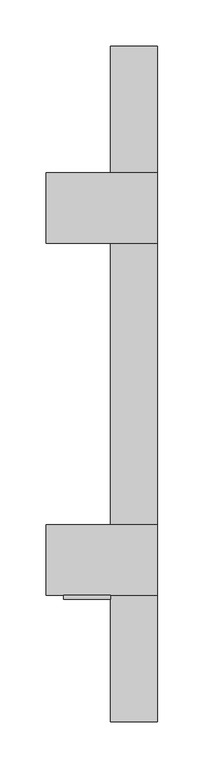
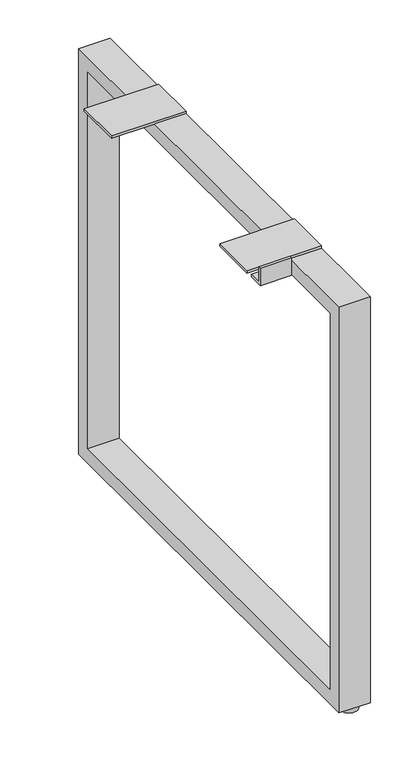
"""IFC4 building model written with IfcOpenShell, lengths in millimetres: furniture geometry."""

import ifcopenshell
import ifcopenshell.guid

model = None  # the IFC model being written
_history = None  # IfcOwnerHistory: only IFC2X3 demands one
_inside = {}  # id of a spatial element -> (the spatial element, [elements in it])
_under = {}  # id of a project, library or spatial element -> (it, [spatial elements below it])
_declared = {}  # id of a project -> (the project, [libraries it declares])
_typed = {}  # id of a type object -> (the type object, [elements of that type])
_made_of = {}  # id of a material, layer set ... -> (it, [elements and type objects made of it])


def new_model(schema):
    """Start an empty IFC model of exactly this schema.

    Asked for "IFC4X3", IfcOpenShell would pick the latest addendum, in which some entities
    have other attributes; the version numbers below select the first issue.
    IFC2X3 requires an IfcOwnerHistory on every rooted entity: one is made here for all.
    """
    global model, _history
    if schema == "IFC4X3":
        model = ifcopenshell.file(schema_version=(4, 3, 0, 0))
    else:
        model = ifcopenshell.file(schema=schema)
    _inside.clear()
    _under.clear()
    _declared.clear()
    _typed.clear()
    _made_of.clear()
    _history = None
    if model.schema == "IFC2X3":
        org = make("IfcOrganization", Name="unknown")
        user = make(
            "IfcPersonAndOrganization",
            ThePerson=make("IfcPerson", FamilyName="unknown"),
            TheOrganization=org,
        )
        app = make(
            "IfcApplication",
            ApplicationDeveloper=org,
            Version="unknown",
            ApplicationFullName="unknown",
            ApplicationIdentifier="unknown",
        )
        _history = make(
            "IfcOwnerHistory",
            OwningUser=user,
            OwningApplication=app,
            ChangeAction="ADDED",
            CreationDate=0,
        )
    return model


def make(cls, **values):
    """One entity of the class cls with the attributes given. An attribute that is None is left unset."""
    return model.create_entity(
        cls, **{name: value for name, value in values.items() if value is not None}
    )


def rooted(cls, **values):
    """An entity with a GlobalId (a new one), such as an element, a storey or a relation."""
    return make(cls, GlobalId=ifcopenshell.guid.new(), OwnerHistory=_history, **values)


def si_unit(unit_type, name, prefix=None):
    """IfcSIUnit, for example si_unit("LENGTHUNIT", "METRE", prefix="MILLI")."""
    return make("IfcSIUnit", UnitType=unit_type, Prefix=prefix, Name=name)


def assignment(units):
    """IfcUnitAssignment: the units of a project."""
    return None if units is None else make("IfcUnitAssignment", Units=units)


def point(xyz):
    """IfcCartesianPoint."""
    return None if xyz is None else make("IfcCartesianPoint", Coordinates=xyz)


def direction(xyz):
    """IfcDirection."""
    return None if xyz is None else make("IfcDirection", DirectionRatios=xyz)


def frame(location, z_axis=None, x_axis=None):
    """IfcAxis2Placement3D, a coordinate frame: its origin and axes. An axis left out is left unset."""
    return make(
        "IfcAxis2Placement3D",
        Location=point(location),
        Axis=direction(z_axis),
        RefDirection=direction(x_axis),
    )


def origin():
    """The frame at (0, 0, 0) with its axes left unset."""
    return frame((0.0, 0.0, 0.0))


def place(relative_to, where):
    """IfcLocalPlacement: puts the frame where relative to a parent placement (None: the world)."""
    return make(
        "IfcLocalPlacement", PlacementRelTo=relative_to, RelativePlacement=where
    )


def context(
    kind, dimensions, precision=None, world=None, true_north=None, identifier=None
):
    """IfcGeometricRepresentationContext, for example the 3D "Model" context."""
    return make(
        "IfcGeometricRepresentationContext",
        ContextIdentifier=identifier,
        ContextType=kind,
        CoordinateSpaceDimension=dimensions,
        Precision=precision,
        WorldCoordinateSystem=world,
        TrueNorth=true_north,
    )


def project(units=None, contexts=None):
    """IfcProject with its units and contexts."""
    return rooted(
        "IfcProject",
        Name="project",
        RepresentationContexts=contexts,
        UnitsInContext=assignment(units),
    )


def spatial(cls, under=None, at=None, **own):
    """A site, building, storey or space (cls), placed at a placement, below another one or the project."""
    s = rooted(cls, ObjectPlacement=at, **own)
    if under is not None:
        _under.setdefault(under.id(), (under, []))[1].append(s)
    return s


def polyline(points):
    """IfcPolyline through the points."""
    return make("IfcPolyline", Points=[point(p) for p in points])


def circle_curve(where, radius):
    """IfcCircle in the frame where."""
    return make("IfcCircle", Position=where, Radius=radius)


def outline(outer, holes=None, kind="AREA"):
    """IfcArbitraryClosedProfileDef: a profile drawn as a closed curve; with holes, ...WithVoids."""
    if holes is None:
        return make("IfcArbitraryClosedProfileDef", ProfileType=kind, OuterCurve=outer)
    return make(
        "IfcArbitraryProfileDefWithVoids",
        ProfileType=kind,
        OuterCurve=outer,
        InnerCurves=holes,
    )


def extrude(swept, where, along, depth):
    """IfcExtrudedAreaSolid: the profile swept, set in the frame where, extruded along a direction by depth."""
    return make(
        "IfcExtrudedAreaSolid",
        SweptArea=swept,
        Position=where,
        ExtrudedDirection=direction(along),
        Depth=depth,
    )


def shape(context_of_items, identifier, shape_type, items):
    """IfcShapeRepresentation: the items that make up one representation, for example the "Body"."""
    return make(
        "IfcShapeRepresentation",
        ContextOfItems=context_of_items,
        RepresentationIdentifier=identifier,
        RepresentationType=shape_type,
        Items=items,
    )


def source(mapping_origin, context_of_items, identifier, shape_type, items):
    """IfcRepresentationMap: a shape defined once, which mapped items show again and again."""
    return make(
        "IfcRepresentationMap",
        MappingOrigin=mapping_origin,
        MappedRepresentation=shape(context_of_items, identifier, shape_type, items),
    )


def transform(
    local_origin,
    x_axis=None,
    y_axis=None,
    z_axis=None,
    scale=None,
    scale2=None,
    scale3=None,
    uniform=True,
):
    """IfcCartesianTransformationOperator3D, or its non-uniform kind. x_axis, y_axis, z_axis: its Axis1, 2, 3."""
    if uniform:
        return make(
            "IfcCartesianTransformationOperator3D",
            Axis1=direction(x_axis),
            Axis2=direction(y_axis),
            LocalOrigin=point(local_origin),
            Scale=scale,
            Axis3=direction(z_axis),
        )
    return make(
        "IfcCartesianTransformationOperator3DnonUniform",
        Axis1=direction(x_axis),
        Axis2=direction(y_axis),
        LocalOrigin=point(local_origin),
        Scale=scale,
        Axis3=direction(z_axis),
        Scale2=scale2,
        Scale3=scale3,
    )


def mapped(mapping_source, mapping_target):
    """IfcMappedItem: shows the shape of a source again, moved by a transform."""
    return make(
        "IfcMappedItem", MappingSource=mapping_source, MappingTarget=mapping_target
    )


def made_of(thing, what):
    """Note that an element or type object is made of a material, layer set ...; save() writes the relation."""
    if what is not None:
        _made_of.setdefault(what.id(), (what, []))[1].append(thing)
    return thing


def element(
    cls,
    number,
    at=None,
    inside=None,
    cuts=None,
    type_object=None,
    material=None,
    context=None,
    identifier="Body",
    shape_type=None,
    held_by="IfcProductDefinitionShape",
    body=None,
    shapes=None,
    **own,
):
    """One element of the class cls, such as IfcWall. Its Tag is "e" and its number.

    at: its placement. inside: the storey or other place that contains it. cuts: it is an
    opening in that element (IfcRelVoidsElement). A single representation is given by context,
    identifier, shape_type and body (its items); several are given by shapes. held_by: the class
    of the entity that holds the representations. save() writes the other relations.
    """
    e = rooted(cls, Tag="e%d" % number, ObjectPlacement=at, **own)
    if body is not None:
        shapes = [shape(context, identifier, shape_type, body)]
    if shapes is not None:
        e.Representation = make(held_by, Representations=shapes)
    if inside is not None:
        _inside.setdefault(inside.id(), (inside, []))[1].append(e)
    if cuts is not None:
        rooted(
            "IfcRelVoidsElement", RelatingBuildingElement=cuts, RelatedOpeningElement=e
        )
    if type_object is not None:
        _typed.setdefault(type_object.id(), (type_object, []))[1].append(e)
    return made_of(e, material)


def aggregate(whole, parts):
    """IfcRelAggregates: a whole, such as a stair, and the parts it consists of."""
    return rooted("IfcRelAggregates", RelatingObject=whole, RelatedObjects=parts)


def save(model, path):
    """Write the relations noted so far, then the file.

    IfcRelAggregates (storeys below a building ...), IfcRelContainedInSpatialStructure (elements
    in a storey), IfcRelDefinesByType, IfcRelAssociatesMaterial and IfcRelDeclares: one each for
    every whole, place, type object, material and project.
    """
    for whole, parts in _under.values():
        aggregate(whole, parts)
    for where, things in _inside.values():
        rooted(
            "IfcRelContainedInSpatialStructure",
            RelatedElements=things,
            RelatingStructure=where,
        )
    for kind, things in _typed.values():
        rooted("IfcRelDefinesByType", RelatedObjects=things, RelatingType=kind)
    for what, things in _made_of.values():
        rooted("IfcRelAssociatesMaterial", RelatedObjects=things, RelatingMaterial=what)
    for by, libraries in _declared.values():
        rooted("IfcRelDeclares", RelatingContext=by, RelatedDefinitions=libraries)
    model.write(path)


def plane_surface(at):
    """IfcPlane: the flat surface through the origin of the frame at, square to its z axis."""
    return make("IfcPlane", Position=at)


def cylinder_surface(at, radius):
    """IfcCylindricalSurface: all points at the distance radius from the z axis of the frame at."""
    return make("IfcCylindricalSurface", Position=at, Radius=radius)


def advanced_brep(points, edges, surfaces, faces):
    """IfcAdvancedBrep: a solid bounded by faces that lie on surfaces and meet in shared edges.

    An edge is (start, end): straight between two places in points (the first is 0);
    or (start, end, curve); or (start, end, curve, False) where it runs against its curve.
    A face is (place in surfaces, loops), or (place, loops, False) where it looks against
    its surface's normal. A loop lists edges by number (the first is 1), with a minus sign
    where the edge is run from its end to its start. The first loop is the outer one.
    """
    corners = [point(p) for p in points]
    vertices = [make("IfcVertexPoint", VertexGeometry=c) for c in corners]
    made = []
    for start, end, *more in edges:
        made.append(
            make(
                "IfcEdgeCurve",
                EdgeStart=vertices[start],
                EdgeEnd=vertices[end],
                EdgeGeometry=more[0] if more else make("IfcPolyline", Points=[corners[start], corners[end]]),
                SameSense=more[1] if len(more) > 1 else True,
            )
        )
    hull = []
    for where, loops, *sense in faces:
        bounds = []
        for j, loop in enumerate(loops):
            ring = [make("IfcOrientedEdge", EdgeElement=made[abs(k) - 1], Orientation=k > 0) for k in loop]
            bounds.append(
                make(
                    "IfcFaceOuterBound" if j == 0 else "IfcFaceBound",
                    Bound=make("IfcEdgeLoop", EdgeList=ring),
                    Orientation=True,
                )
            )
        hull.append(make("IfcAdvancedFace", Bounds=bounds, FaceSurface=surfaces[where], SameSense=sense[0] if sense else True))
    return make("IfcAdvancedBrep", Outer=make("IfcClosedShell", CfsFaces=hull))


def furniture_5a974e95(model_context):
    return source(origin(), model_context, "Body", "SolidModel", [
        extrude(outline(polyline([(260.9400201, 702.6656222), (260.9400201, 8.6614), (-468.5479799, 8.6614), (-468.5479799, 702.6656222), (260.9400201, 702.6656222)]), holes=[polyline([(235.5400201, 677.2656222), (-443.1479799, 677.2656222), (-443.1479799, 34.0614), (235.5400201, 34.0614), (235.5400201, 677.2656222)])]), frame((-761.998801, 0.0, 0.0), z_axis=(1.0, 0.0, 0.0), x_axis=(0.0, 1.0, 0.0)), (0.0, 0.0, 1.0), 50.7994011),
        extrude(outline(polyline([(-336.3409799, 677.2910222), (-336.3409799, 707.0090222), (-332.0229799, 707.0090222), (-332.0229799, 681.6344222), (-310.9409799, 681.6344222), (-310.9409799, 677.2910222), (-336.3409799, 677.2910222)])), frame((-812.798801, 0.0, 0.0), z_axis=(1.0, 0.0, 0.0), x_axis=(0.0, 1.0, 0.0)), (0.0, 0.0, 1.0), 50.8),
        advanced_brep(
        [(-722.3116005, 245.0650201, 0.0), (-750.8866005, 245.0650201, 0.0), (-736.5991005, 245.0650201, 0.0), (-722.3116005, 245.0650201, 7.874), (-750.8866005, 245.0650201, 7.874), (-731.8366005, 245.0650201, 7.874), (-741.3616005, 245.0650201, 7.874), (-731.8366005, 245.0650201, 8.6614), (-741.3616005, 245.0650201, 8.6614), (-736.5991005, 245.0650201, 8.6614)],
        [
            (0, 1, circle_curve(frame((-736.5991005, 245.0650201, 0.0), z_axis=(0.0, 0.0, -1.0), x_axis=(-1.0, 0.0, 0.0)), 14.2875)),
            (1, 2),
            (2, 0),
            (1, 0, circle_curve(frame((-736.5991005, 245.0650201, 0.0), z_axis=(0.0, 0.0, -1.0), x_axis=(-1.0, 0.0, 0.0)), 14.2875)),
            (3, 4, circle_curve(frame((-736.5991005, 245.0650201, 7.874), z_axis=(0.0, 0.0, -1.0), x_axis=(-1.0, 0.0, 0.0)), 14.2875)),
            (4, 1),
            (0, 3),
            (4, 3, circle_curve(frame((-736.5991005, 245.0650201, 7.874), z_axis=(0.0, 0.0, -1.0), x_axis=(-1.0, 0.0, 0.0)), 14.2875)),
            (5, 6, circle_curve(frame((-736.5991005, 245.0650201, 7.874), z_axis=(0.0, 0.0, -1.0), x_axis=(-1.0, 0.0, 0.0)), 4.7625)),
            (6, 4),
            (3, 5),
            (6, 5, circle_curve(frame((-736.5991005, 245.0650201, 7.874), z_axis=(0.0, 0.0, -1.0), x_axis=(-1.0, 0.0, 0.0)), 4.7625)),
            (7, 8, circle_curve(frame((-736.5991005, 245.0650201, 8.6614), z_axis=(0.0, 0.0, -1.0), x_axis=(-1.0, 0.0, 0.0)), 4.7625)),
            (8, 6),
            (5, 7),
            (8, 7, circle_curve(frame((-736.5991005, 245.0650201, 8.6614), z_axis=(0.0, 0.0, -1.0), x_axis=(-1.0, 0.0, 0.0)), 4.7625)),
            (9, 8),
            (7, 9),
        ],
        [
            plane_surface(frame((-736.5991005, 245.0650201, 0.0), z_axis=(0.0, 0.0, -1.0), x_axis=(-1.0, 0.0, 0.0))),
            cylinder_surface(frame((-736.5991005, 245.0650201, -2.6032322), z_axis=(0.0, 0.0, 1.0), x_axis=(-1.0, 0.0, 0.0)), 14.2875),
            plane_surface(frame((-736.5991005, 245.0650201, 7.874), z_axis=(0.0, 0.0, 1.0), x_axis=(-1.0, 0.0, 0.0))),
            cylinder_surface(frame((-736.5991005, 245.0650201, -2.6032322), z_axis=(0.0, 0.0, 1.0), x_axis=(-1.0, 0.0, 0.0)), 4.7625),
            plane_surface(frame((-736.5991005, 245.0650201, 8.6614), z_axis=(0.0, 0.0, 1.0), x_axis=(-1.0, 0.0, 0.0))),
        ],
        [
            (0, [[1, 2, 3]]),
            (0, [[4, -3, -2]]),
            (1, [[5, 6, -1, 7]]),
            (1, [[8, -7, -4, -6]]),
            (2, [[9, 10, -5, 11]]),
            (2, [[12, -11, -8, -10]]),
            (3, [[13, 14, -9, 15]]),
            (3, [[16, -15, -12, -14]]),
            (4, [[17, -13, 18]]),
            (4, [[-18, -16, -17]]),
        ],
    ),
        extrude(outline(polyline([(-711.198801, -255.8229799), (-711.198801, -332.0229799), (-831.848801, -332.0229799), (-831.848801, -255.8229799), (-711.198801, -255.8229799)])), frame((0.0, 0.0, 702.6656222), z_axis=(0.0, 0.0, 1.0), x_axis=(1.0, 0.0, 0.0)), (0.0, 0.0, 1.0), 4.3434),
        extrude(outline(polyline([(-711.198801, 124.4150201), (-711.198801, 48.2150201), (-831.848801, 48.2150201), (-831.848801, 124.4150201), (-711.198801, 124.4150201)])), frame((0.0, 0.0, 702.6656222), z_axis=(0.0, 0.0, 1.0), x_axis=(1.0, 0.0, 0.0)), (0.0, 0.0, 1.0), 4.3434),
        advanced_brep(
        [(-722.3116005, -452.6729799, 0.0), (-750.8866005, -452.6729799, 0.0), (-736.5991005, -452.6729799, 0.0), (-722.3116005, -452.6729799, 7.874), (-750.8866005, -452.6729799, 7.874), (-731.8366005, -452.6729799, 7.874), (-741.3616005, -452.6729799, 7.874), (-731.8366005, -452.6729799, 8.6614), (-741.3616005, -452.6729799, 8.6614), (-736.5991005, -452.6729799, 8.6614)],
        [
            (0, 1, circle_curve(frame((-736.5991005, -452.6729799, 0.0), z_axis=(0.0, 0.0, -1.0), x_axis=(-1.0, 0.0, 0.0)), 14.2875)),
            (1, 2),
            (2, 0),
            (1, 0, circle_curve(frame((-736.5991005, -452.6729799, 0.0), z_axis=(0.0, 0.0, -1.0), x_axis=(-1.0, 0.0, 0.0)), 14.2875)),
            (3, 4, circle_curve(frame((-736.5991005, -452.6729799, 7.874), z_axis=(0.0, 0.0, -1.0), x_axis=(-1.0, 0.0, 0.0)), 14.2875)),
            (4, 1),
            (0, 3),
            (4, 3, circle_curve(frame((-736.5991005, -452.6729799, 7.874), z_axis=(0.0, 0.0, -1.0), x_axis=(-1.0, 0.0, 0.0)), 14.2875)),
            (5, 6, circle_curve(frame((-736.5991005, -452.6729799, 7.874), z_axis=(0.0, 0.0, -1.0), x_axis=(-1.0, 0.0, 0.0)), 4.7625)),
            (6, 4),
            (3, 5),
            (6, 5, circle_curve(frame((-736.5991005, -452.6729799, 7.874), z_axis=(0.0, 0.0, -1.0), x_axis=(-1.0, 0.0, 0.0)), 4.7625)),
            (7, 8, circle_curve(frame((-736.5991005, -452.6729799, 8.6614), z_axis=(0.0, 0.0, -1.0), x_axis=(-1.0, 0.0, 0.0)), 4.7625)),
            (8, 6),
            (5, 7),
            (8, 7, circle_curve(frame((-736.5991005, -452.6729799, 8.6614), z_axis=(0.0, 0.0, -1.0), x_axis=(-1.0, 0.0, 0.0)), 4.7625)),
            (9, 8),
            (7, 9),
        ],
        [
            plane_surface(frame((-736.5991005, -452.6729799, 0.0), z_axis=(0.0, 0.0, -1.0), x_axis=(-1.0, 0.0, 0.0))),
            cylinder_surface(frame((-736.5991005, -452.6729799, -2.6032322), z_axis=(0.0, 0.0, 1.0), x_axis=(-1.0, 0.0, 0.0)), 14.2875),
            plane_surface(frame((-736.5991005, -452.6729799, 7.874), z_axis=(0.0, 0.0, 1.0), x_axis=(-1.0, 0.0, 0.0))),
            cylinder_surface(frame((-736.5991005, -452.6729799, -2.6032322), z_axis=(0.0, 0.0, 1.0), x_axis=(-1.0, 0.0, 0.0)), 4.7625),
            plane_surface(frame((-736.5991005, -452.6729799, 8.6614), z_axis=(0.0, 0.0, 1.0), x_axis=(-1.0, 0.0, 0.0))),
        ],
        [
            (0, [[1, 2, 3]]),
            (0, [[4, -3, -2]]),
            (1, [[5, 6, -1, 7]]),
            (1, [[8, -7, -4, -6]]),
            (2, [[9, 10, -5, 11]]),
            (2, [[12, -11, -8, -10]]),
            (3, [[13, 14, -9, 15]]),
            (3, [[16, -15, -12, -14]]),
            (4, [[17, -13, 18]]),
            (4, [[-18, -16, -17]]),
        ],
    ),
    ])


if __name__ == "__main__":
    model = new_model("IFC4")
    model_context = context("Model", 3, world=origin())
    ifc_project = project(units=[si_unit("LENGTHUNIT", "METRE", prefix="MILLI")], contexts=[model_context])
    site = spatial("IfcSite", under=ifc_project)
    building = spatial("IfcBuilding", under=site)
    placement = place(None, origin())
    furniture_shape = furniture_5a974e95(model_context)
    element("IfcFurniture", 1, at=placement, inside=building, context=model_context, shape_type="MappedRepresentation", body=[
        mapped(furniture_shape, transform((0.0, 0.0, 0.0), x_axis=(1.0, 0.0, 0.0), y_axis=(0.0, 1.0, 0.0), z_axis=(0.0, 0.0, 1.0))),
    ])
    save(model, "model.ifc")
